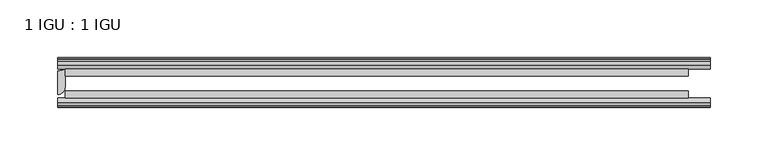
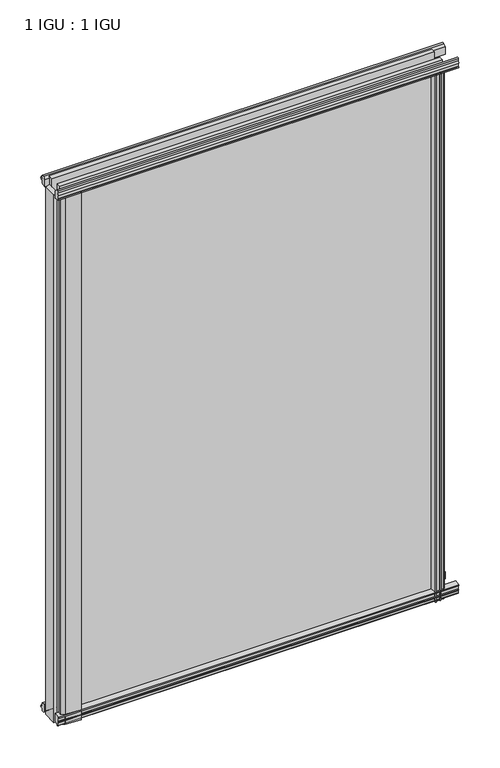
"""IFC4 building model written with IfcOpenShell, lengths in millimetres: plate geometry, 1 IGU : 1 IGU."""

from ifc_helpers import new_model, si_unit, point, frame, frame_2d, origin, place, context, project, spatial, polyline, circle_curve, trimmed, segment, composite_curve, outline, extrude, source, transform, mapped, element, save


def plate_1_igu_1_igu_7cb7d4fe(model_context):
    return source(origin(), model_context, "Body", "SweptSolid", [
        extrude(outline(composite_curve([segment(polyline([(-46.2359545, 782.688937), (-46.2359545, 771.6667197), (-53.3197108, 773.0340291)]), True, "CONTINUOUS"), segment(trimmed(circle_curve(frame_2d((-53.1447545, 774.0348519)), 1.016), [point((-53.3197108, 773.0340291))], [point((-53.8888005, 774.7266983))], False, "CARTESIAN"), True, "CONTINUOUS"), segment(polyline([(-53.8888005, 774.7266983), (-52.5859205, 774.5428519), (-52.5859205, 779.9530519), (-54.0652165, 780.2138917), (-52.5859205, 782.7978519), (-52.5859205, 785.9728519)]), True, "CONTINUOUS"), segment(trimmed(circle_curve(frame_2d((-51.3159205, 785.9728519)), 1.27), [point((-52.5859205, 785.9728519))], [point((-50.4178949, 786.8708775))], False, "CARTESIAN"), True, "CONTINUOUS"), segment(polyline([(-50.4178949, 786.8708775), (-46.2359545, 782.688937)]), True, "CONTINUOUS")], self_intersect=False)), frame((-282.5754022, 0.0, 0.0), z_axis=(1.0, 0.0, 0.0), x_axis=(0.0, 1.0, 0.0)), (0.0, 0.0, 1.0), 565.1508044),
        extrude(outline(polyline([(-17.4323375, 787.1253625), (-14.4859375, 787.1253625), (-14.4859375, 782.6803625), (-12.1057405, 782.2993625), (-12.5656738, 783.7148916), (-11.7644596, 783.7148916), (-11.0569375, 781.5373625), (-11.7644596, 779.3598334), (-12.5656738, 779.3598334), (-12.1057405, 780.7753625), (-14.4859375, 780.3943625), (-14.4859375, 775.1873625), (-20.8359545, 773.4696398), (-20.8359545, 784.2910062), (-17.4323375, 787.1253625)])), frame((-282.5754022, 0.0, 0.0), z_axis=(1.0, 0.0, 0.0), x_axis=(0.0, 1.0, 0.0)), (0.0, 0.0, 1.0), 565.1508044),
        extrude(outline(polyline([(-20.8359545, 1.2049602), (-14.4859375, -0.5127625), (-14.4859375, -5.7197625), (-12.1057405, -6.1007625), (-12.5656738, -4.6852334), (-11.7644596, -4.6852334), (-11.0569375, -6.8627625), (-11.7644596, -9.0402916), (-12.5656738, -9.0402916), (-12.1057405, -7.6247625), (-14.4859375, -8.0057625), (-14.4859375, -12.4507625), (-17.4323375, -12.4507625), (-20.8359545, -9.6164062), (-20.8359545, 1.2049602)])), frame((-282.5754022, 0.0, 0.0), z_axis=(1.0, 0.0, 0.0), x_axis=(0.0, 1.0, 0.0)), (0.0, 0.0, 1.0), 565.1508044),
        extrude(outline(composite_curve([segment(polyline([(-53.3197108, 1.6405709), (-46.2359545, 3.0078803), (-46.2359545, -8.014337), (-50.4178949, -12.1962775)]), True, "CONTINUOUS"), segment(trimmed(circle_curve(frame_2d((-51.3159205, -11.2982519)), 1.27), [point((-50.4178949, -12.1962775))], [point((-52.5859205, -11.2982519))], False, "CARTESIAN"), True, "CONTINUOUS"), segment(polyline([(-52.5859205, -11.2982519), (-52.5859205, -8.1232519), (-54.0652165, -5.5392917), (-52.5859205, -5.2784519), (-52.5859205, 0.1317481), (-53.8888005, -0.0520983)]), True, "CONTINUOUS"), segment(trimmed(circle_curve(frame_2d((-53.1447545, 0.6397481)), 1.016), [point((-53.8888005, -0.0520983))], [point((-53.3197108, 1.6405709))], False, "CARTESIAN"), True, "CONTINUOUS")], self_intersect=False)), frame((-282.5754022, 0.0, 0.0), z_axis=(1.0, 0.0, 0.0), x_axis=(0.0, 1.0, 0.0)), (0.0, 0.0, 1.0), 565.1508044),
        extrude(outline(composite_curve([segment(trimmed(circle_curve(frame_2d((-282.5754022, -10.4903061)), 12.1389698), [point((-282.5754022, -22.629276))], [point((-276.2254022, -20.8359375))], True, "CARTESIAN"), True, "CONTINUOUS"), segment(polyline([(-276.2254022, -20.8359375), (-276.2254022, -36.7109375)]), True, "CONTINUOUS"), segment(trimmed(circle_curve(frame_2d((-282.5754022, -36.7109375)), 6.35), [point((-276.2254022, -36.7109375))], [point((-282.5754022, -43.0609375))], False, "CARTESIAN"), True, "CONTINUOUS"), segment(polyline([(-282.5754022, -43.0609375), (-282.5754022, -22.629276)]), True, "CONTINUOUS")], self_intersect=False)), frame((0.0, 0.0, -12.7), z_axis=(0.0, 0.0, 1.0), x_axis=(1.0, 0.0, 0.0)), (0.0, 0.0, 1.0), 787.3746),
        extrude(outline(composite_curve([segment(polyline([(-273.4648163, -46.2359375), (-247.0208609, -46.2359375)]), True, "CONTINUOUS"), segment(trimmed(circle_curve(frame_2d((-235.8824314, -56.4589223)), 15.118665), [point((-247.0208609, -46.2359375))], [point((-250.8254022, -54.1607375))], True, "CARTESIAN"), True, "CONTINUOUS"), segment(polyline([(-250.8254022, -54.1607375), (-272.7114351, -52.904699), (-277.9672135, -50.6809375), (-277.9672135, -48.1409375), (-273.4648163, -46.2359375)]), True, "CONTINUOUS")], self_intersect=False)), frame((0.0, 0.0, -12.7), z_axis=(0.0, 0.0, 1.0), x_axis=(1.0, 0.0, 0.0)), (0.0, 0.0, 1.0), 787.3746),
        extrude(outline(composite_curve([segment(polyline([(249.2095491, -53.3197108), (247.8422364, -46.2359375), (258.86444, -46.2359375), (263.0463975, -50.4178949)]), True, "CONTINUOUS"), segment(trimmed(circle_curve(frame_2d((262.1483719, -51.3159205)), 1.27), [point((263.0463975, -50.4178949))], [point((262.1483719, -52.5859205))], False, "CARTESIAN"), True, "CONTINUOUS"), segment(polyline([(262.1483719, -52.5859205), (258.9733719, -52.5859205), (256.3894117, -54.0652165), (256.1285719, -52.5859205), (250.7183719, -52.5859205), (250.9413353, -53.8504091)]), True, "CONTINUOUS"), segment(trimmed(circle_curve(frame_2d((250.2103719, -53.1447545)), 1.016), [point((250.9413353, -53.8504091))], [point((249.2095491, -53.3197108))], False, "CARTESIAN"), True, "CONTINUOUS")], self_intersect=False)), frame((0.0, 0.0, -12.6752823), z_axis=(0.0, 0.0, 1.0), x_axis=(1.0, 0.0, 0.0)), (0.0, 0.0, 1.0), 787.3498823),
        extrude(outline(polyline([(255.5353534, -11.7644596), (257.7128825, -11.0569375), (259.8904115, -11.7644596), (259.8904115, -12.5656738), (258.4748825, -12.1057405), (258.8558825, -14.4859375), (263.3008825, -14.4859375), (263.3008825, -17.4323375), (260.4665403, -20.8359375), (249.6451644, -20.8359375), (251.3628825, -14.4859375), (256.5698825, -14.4859375), (256.9508825, -12.1057405), (255.5353534, -12.5656738), (255.5353534, -11.7644596)])), frame((0.0, 0.0, -12.6752823), z_axis=(0.0, 0.0, 1.0), x_axis=(1.0, 0.0, 0.0)), (0.0, 0.0, 1.0), 787.3498823),
        extrude(outline(polyline([(263.5254022, -20.8359375), (263.5254022, -27.1859375), (-276.2254022, -27.1859375), (-276.2254022, -20.8359375), (263.5254022, -20.8359375)])), frame((0.0, 0.0, -12.6752823), z_axis=(0.0, 0.0, 1.0), x_axis=(1.0, 0.0, 0.0)), (0.0, 0.0, 1.0), 800.0251645),
        extrude(outline(polyline([(-276.2254022, -46.2359375), (-276.2254022, -39.8859375), (263.5254022, -39.8859375), (263.5254022, -46.2359375), (-276.2254022, -46.2359375)])), frame((0.0, 0.0, -12.6752823), z_axis=(0.0, 0.0, 1.0), x_axis=(1.0, 0.0, 0.0)), (0.0, 0.0, 1.0), 800.0251645),
    ])


if __name__ == "__main__":
    model = new_model("IFC4")
    model_context = context("Model", 3, world=origin())
    ifc_project = project(units=[si_unit("LENGTHUNIT", "METRE", prefix="MILLI")], contexts=[model_context])
    site = spatial("IfcSite", under=ifc_project)
    building = spatial("IfcBuilding", under=site)
    placement = place(None, origin())
    plate_1_igu_1_igu_shape = plate_1_igu_1_igu_7cb7d4fe(model_context)
    element("IfcPlate", 1, ObjectType="1 IGU : 1 IGU", at=placement, inside=building, context=model_context, shape_type="MappedRepresentation", body=[
        mapped(plate_1_igu_1_igu_shape, transform((0.0, 0.0, 0.0), x_axis=(1.0, 0.0, 0.0), y_axis=(0.0, 1.0, 0.0), z_axis=(0.0, 0.0, 1.0))),
    ])
    save(model, "model.ifc")
